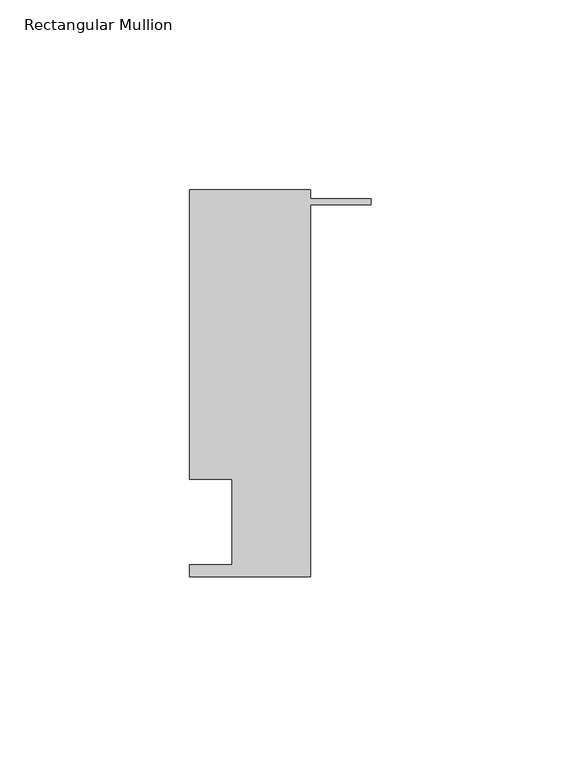
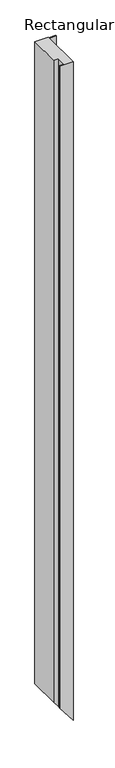
"""IFC4 building model written with IfcOpenShell, lengths in millimetres: member geometry, Rectangular Mullion."""

from ifc_helpers import new_model, si_unit, origin, place, context, project, spatial, faceted_brep, source, transform, mapped, element, save


def rectangular_mullion_ce70b407(model_context):
    return source(origin(), model_context, "Body", "Brep", [
        faceted_brep([(-16.0176407, 13.8350625, 0.0), (-16.0176407, 111.8282625, 0.0), (0.0, 111.8282625, 0.0), (0.0, 113.4030625, 0.0), (-16.0176407, 113.4030625, 0.0), (-16.0176407, 115.6890625, 0.0), (-47.7676407, 115.6890625, 0.0), (-47.7676407, 39.4890625, 0.0), (-36.6551407, 39.4890625, 0.0), (-36.6551407, 17.020249, 0.0), (-47.7676407, 17.020249, 0.0), (-47.7676407, 13.8350625, 0.0), (-16.0176407, 13.8350625, -1643.6964523), (-16.0176407, 111.8282625, -1643.6964523), (0.0, 111.8282625, -1664.2953125), (0.0, 113.4030625, -1664.2953125), (-16.0176407, 113.4030625, -1643.6964523), (-16.0176407, 115.6890625, -1643.6964523), (-47.7676407, 115.6890625, -1602.8656068), (-47.7676407, 39.4890625, -1602.8656068), (-36.6551407, 39.4890625, -1617.1564027), (-36.6551407, 17.020249, -1617.1564027), (-47.7676407, 17.020249, -1602.8656068), (-47.7676407, 13.8350625, -1602.8656068)], [[[0, 1, 2, 3, 4, 5, 6, 7, 8, 9, 10, 11]], [[1, 0, 12, 13]], [[2, 1, 13, 14]], [[3, 2, 14, 15]], [[4, 3, 15, 16]], [[5, 4, 16, 17]], [[6, 5, 17, 18]], [[7, 6, 18, 19]], [[8, 7, 19, 20]], [[9, 8, 20, 21]], [[10, 9, 21, 22]], [[11, 10, 22, 23]], [[0, 11, 23, 12]], [[12, 23, 22, 21, 20, 19, 18, 17, 16, 15, 14, 13]]]),
    ])


if __name__ == "__main__":
    model = new_model("IFC4")
    model_context = context("Model", 3, world=origin())
    ifc_project = project(units=[si_unit("LENGTHUNIT", "METRE", prefix="MILLI")], contexts=[model_context])
    site = spatial("IfcSite", under=ifc_project)
    building = spatial("IfcBuilding", under=site)
    placement = place(None, origin())
    rectangular_mullion_shape = rectangular_mullion_ce70b407(model_context)
    element("IfcMember", 1, ObjectType="Rectangular Mullion", at=placement, inside=building, context=model_context, shape_type="MappedRepresentation", body=[
        mapped(rectangular_mullion_shape, transform((0.0, 0.0, 0.0), x_axis=(1.0, 0.0, 0.0), y_axis=(0.0, 1.0, 0.0), z_axis=(0.0, 0.0, 1.0))),
    ])
    save(model, "model.ifc")
